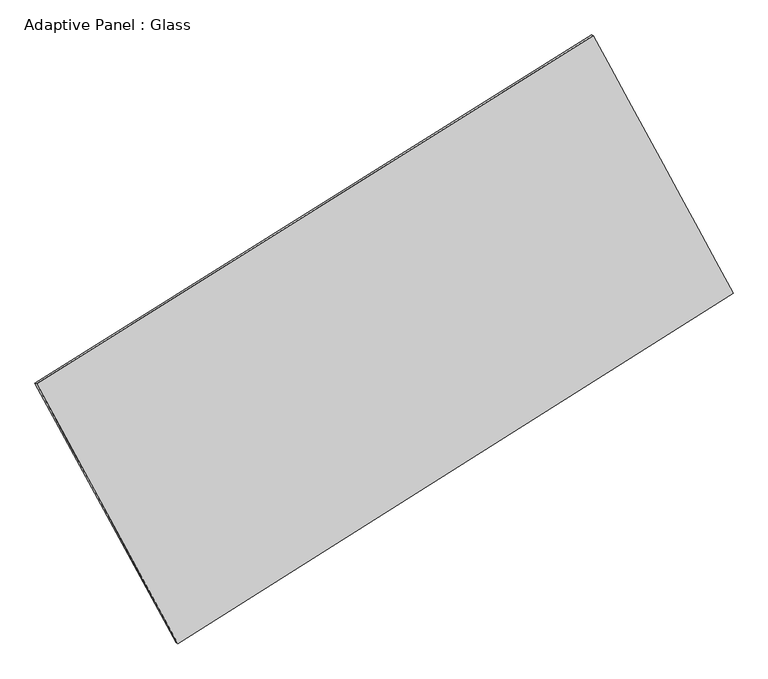
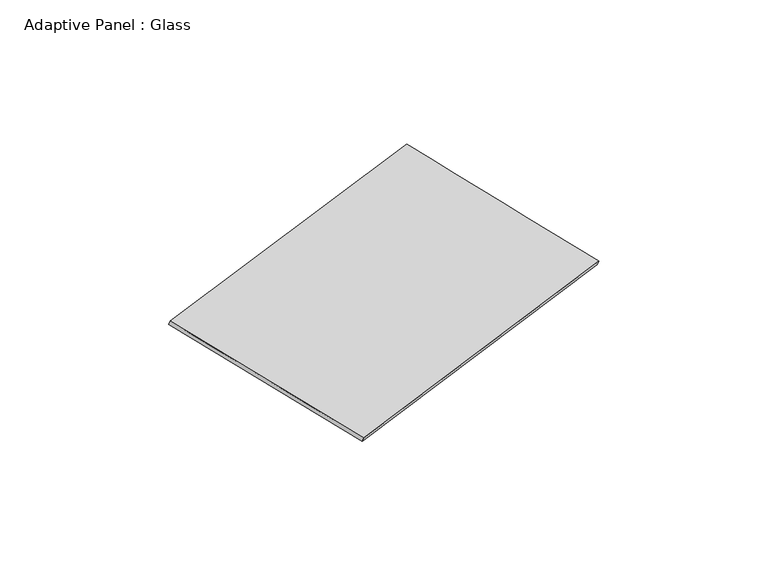
"""IFC4 building model written with IfcOpenShell, lengths in millimetres: plate geometry, Adaptive Panel : Glass."""

from ifc_helpers import new_model, si_unit, frame, origin, place, context, project, spatial, source, transform, mapped, element, save
from ifc_brep_helpers import plane_surface, spline_surface, advanced_brep


def adaptive_panel_glass_83a6dfca(model_context):
    return source(origin(), model_context, "Body", "AdvancedBrep", [
        advanced_brep(
        [(1181.4316905, 2571.5861117, 668.015903), (-3720.2026748, -494.0605082, 1764.3306518), (-3705.536319, -500.4406017, 1811.7035598), (1196.0980463, 2565.2060183, 715.388811), (-2476.7552747, -2780.9700389, 1079.6656208), (-2462.0889189, -2787.3501323, 1127.0385288), (2412.2356808, 303.1958625, -26.8896553), (2426.9020367, 296.815769, 20.4832527)],
        [
            (0, 1),
            (1, 2),
            (2, 3),
            (3, 0),
            (1, 4),
            (4, 5),
            (5, 2),
            (4, 6),
            (6, 7),
            (7, 5),
            (6, 0),
            (3, 7),
        ],
        [
            plane_surface(frame((-1269.3854921, 1038.7628018, 1216.1732774), z_axis=(-0.469832867037954, 0.8438719792067968, 0.2591083938441596), x_axis=(-0.8329885478522416, -0.5209789910618648, 0.18630880284939655))),
            plane_surface(frame((-3098.4789747, -1637.5152736, 1421.9981363), z_axis=(-0.8374566956875161, -0.5123104057632223, 0.19027435716583013), x_axis=(0.46196783157109667, -0.8496367733717538, -0.25436799312793723))),
            plane_surface(frame((-32.2597969, -1238.8870882, 526.3879827), z_axis=(0.47250624848610057, -0.8421927411752734, -0.25970989941330735), x_axis=(0.8306880489530712, 0.5240303732581377, -0.18801471545992504))),
            plane_surface(frame((1796.8336857, 1437.3909871, 320.5631238), z_axis=(0.8373103809940623, 0.5125797813953772, -0.1901927800528868), x_axis=(-0.4605082644176909, 0.8487236513002154, 0.26000058101211343))),
            spline_surface(1, 1, [[(-3705.536319, -500.4406017, 1811.7035598), (1196.0980463, 2565.2060183, 715.388811)], [(-2462.0889189, -2787.3501323, 1127.0385288), (2426.9020367, 296.815769, 20.4832527)]], [2, 2], [2, 2], [0.0, 1.0], [0.0, 1.0]),
            spline_surface(1, 1, [[(2412.2356808, 303.1958625, -26.8896553), (1181.4316905, 2571.5861117, 668.015903)], [(-2476.7552747, -2780.9700389, 1079.6656208), (-3720.2026748, -494.0605082, 1764.3306518)]], [2, 2], [2, 2], [0.0, 1.0], [0.0, 1.0]),
        ],
        [
            (0, [[1, 2, 3, 4]]),
            (1, [[5, 6, 7, -2]]),
            (2, [[8, 9, 10, -6]]),
            (3, [[11, -4, 12, -9]]),
            (4, [[-3, -7, -10, -12]]),
            (5, [[-11, -8, -5, -1]]),
        ],
    ),
    ])


if __name__ == "__main__":
    model = new_model("IFC4")
    model_context = context("Model", 3, world=origin())
    ifc_project = project(units=[si_unit("LENGTHUNIT", "METRE", prefix="MILLI")], contexts=[model_context])
    site = spatial("IfcSite", under=ifc_project)
    building = spatial("IfcBuilding", under=site)
    placement = place(None, origin())
    adaptive_panel_glass_shape = adaptive_panel_glass_83a6dfca(model_context)
    element("IfcPlate", 1, ObjectType="Adaptive Panel : Glass", at=placement, inside=building, context=model_context, shape_type="MappedRepresentation", body=[
        mapped(adaptive_panel_glass_shape, transform((0.0, 0.0, 0.0), x_axis=(1.0, 0.0, 0.0), y_axis=(0.0, 1.0, 0.0), z_axis=(0.0, 0.0, 1.0))),
    ])
    save(model, "model.ifc")
